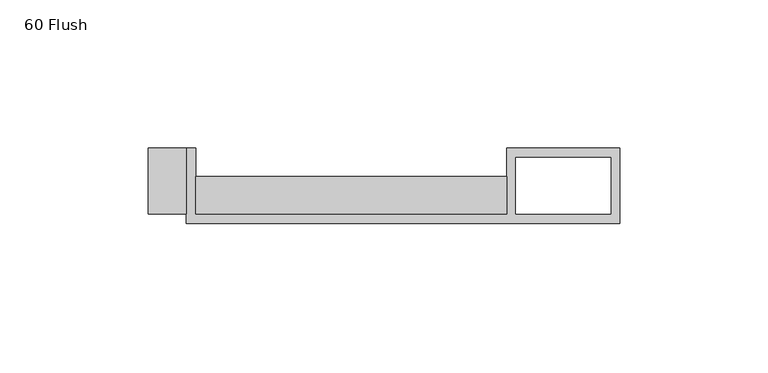
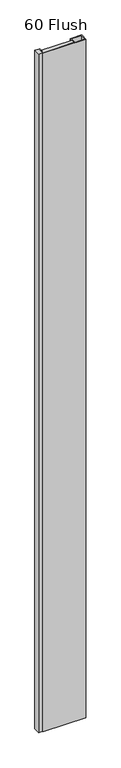
"""IFC4 building model written with IfcOpenShell, lengths in millimetres: proxy geometry, 60 Flush."""

from ifc_helpers import new_model, si_unit, origin, origin_with_axes, place, context, project, spatial, polyline, outline, extrude, source, transform, mapped, element, save


def proxy_60_flush_109362b7(model_context):
    return source(origin(), model_context, "Body", "SweptSolid", [
        extrude(outline(polyline([(-107.95, -22.225), (-120.65, -22.225), (-120.65, 0.0), (-107.95, 0.0), (-107.95, -22.225)])), origin_with_axes(), (0.0, 0.0, 1.0), 2438.4),
        extrude(outline(polyline([(0.0, -22.225), (-104.775, -22.225), (-104.775, -9.525), (0.0, -9.525), (0.0, -22.225)])), origin_with_axes(), (0.0, 0.0, 1.0), 2438.4),
        extrude(outline(polyline([(-107.95, 0.0), (-104.775, 0.0), (-104.775, -22.225), (0.0, -22.225), (0.0, 0.0), (38.1, 0.0), (38.1, -25.4), (-107.95, -25.4), (-107.95, 0.0)]), holes=[polyline([(3.175, -3.175), (3.175, -22.225), (35.1499571, -22.225), (35.1499571, -3.175), (3.175, -3.175)])]), origin_with_axes(), (0.0, 0.0, 1.0), 2438.4),
    ])


if __name__ == "__main__":
    model = new_model("IFC4")
    model_context = context("Model", 3, world=origin())
    ifc_project = project(units=[si_unit("LENGTHUNIT", "METRE", prefix="MILLI")], contexts=[model_context])
    site = spatial("IfcSite", under=ifc_project)
    building = spatial("IfcBuilding", under=site)
    placement = place(None, origin())
    proxy_60_flush_shape = proxy_60_flush_109362b7(model_context)
    element("IfcBuildingElementProxy", 1, Name="60 Flush", ObjectType="60 Flush", at=placement, inside=building, context=model_context, shape_type="MappedRepresentation", body=[
        mapped(proxy_60_flush_shape, transform((0.0, 0.0, 0.0), x_axis=(1.0, 0.0, 0.0), y_axis=(0.0, 1.0, 0.0), z_axis=(0.0, 0.0, 1.0))),
    ])
    save(model, "model.ifc")
